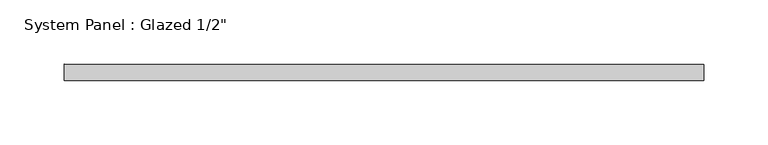
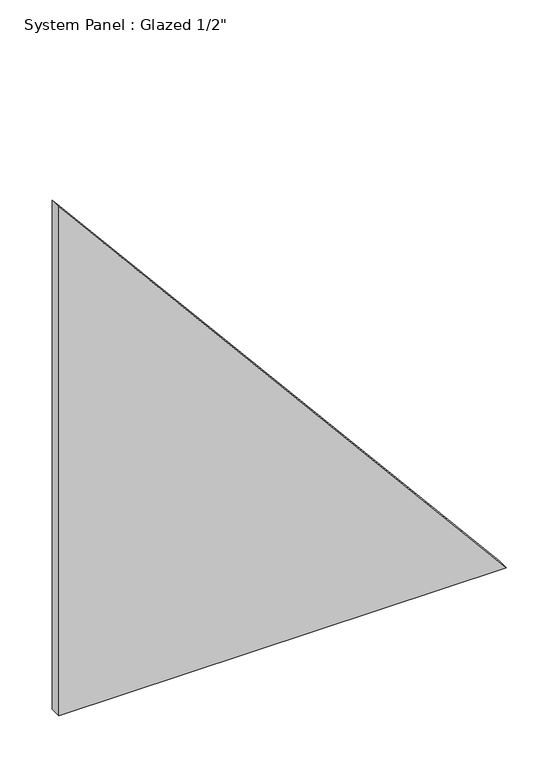
"""IFC4 building model written with IfcOpenShell, lengths in millimetres: plate geometry."""

from ifc_helpers import new_model, si_unit, frame, origin, place, context, project, spatial, polyline, outline, extrude, source, transform, mapped, element, save


def plate_5f1ab6ea(model_context):
    return source(origin(), model_context, "Body", "SweptSolid", [
        extrude(outline(polyline([(0.0, -247.9070441), (0.0, 247.9070441), (595.8943728, -247.9070441), (0.0, -247.9070441)])), frame((0.0, -6.35, 0.0), z_axis=(0.0, 1.0, 0.0), x_axis=(0.0, 0.0, 1.0)), (0.0, 0.0, 1.0), 12.7),
    ])


if __name__ == "__main__":
    model = new_model("IFC4")
    model_context = context("Model", 3, world=origin())
    ifc_project = project(units=[si_unit("LENGTHUNIT", "METRE", prefix="MILLI")], contexts=[model_context])
    site = spatial("IfcSite", under=ifc_project)
    building = spatial("IfcBuilding", under=site)
    placement = place(None, origin())
    plate_shape = plate_5f1ab6ea(model_context)
    element("IfcPlate", 1, ObjectType="System Panel : Glazed 1/2\"", at=placement, inside=building, context=model_context, shape_type="MappedRepresentation", body=[
        mapped(plate_shape, transform((0.0, 0.0, 0.0), x_axis=(1.0, 0.0, 0.0), y_axis=(0.0, 1.0, 0.0), z_axis=(0.0, 0.0, 1.0))),
    ])
    save(model, "model.ifc")
